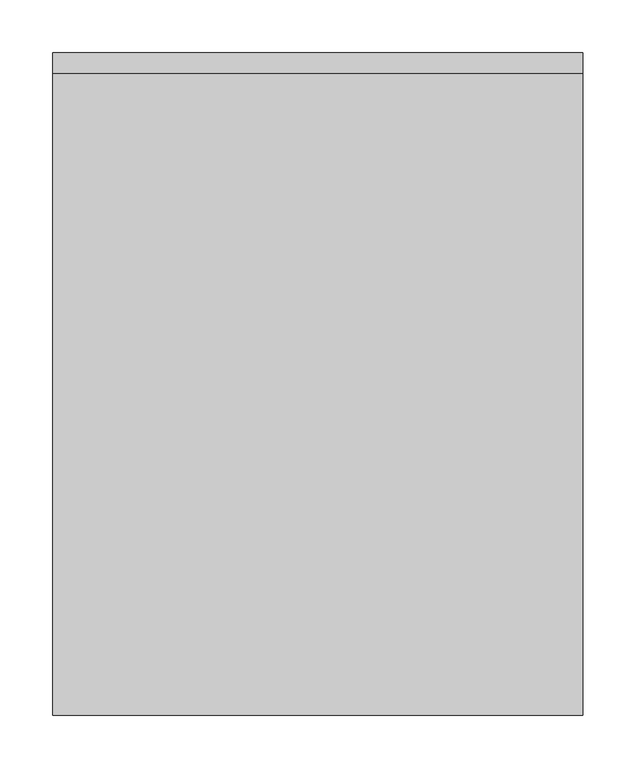
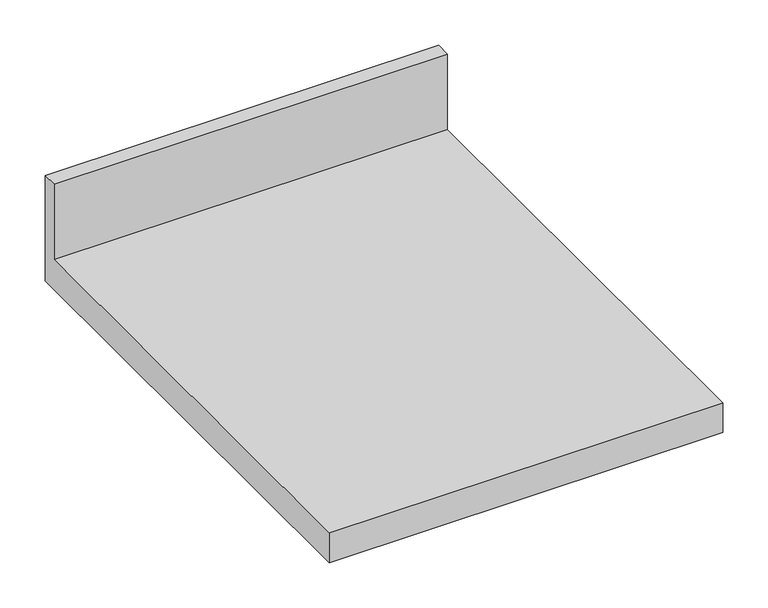
"""IFC4 building model written with IfcOpenShell, lengths in millimetres: furniture geometry."""

from ifc_helpers import new_model, si_unit, frame, origin, place, context, project, spatial, polyline, outline, extrude, source, transform, mapped, element, save


def furniture_dd5b232a(model_context):
    return source(origin(), model_context, "Body", "SweptSolid", [
        extrude(outline(polyline([(0.0, 1001.6), (0.0, 860.0), (-625.0, 860.0), (-625.0, 900.0), (-19.05, 900.0), (-19.05, 1001.6), (0.0, 1001.6)])), frame((-1200.4622951, 0.0, 0.0), z_axis=(1.0, 0.0, 0.0), x_axis=(0.0, 1.0, 0.0)), (0.0, 0.0, 1.0), 500.0),
    ])


if __name__ == "__main__":
    model = new_model("IFC4")
    model_context = context("Model", 3, world=origin())
    ifc_project = project(units=[si_unit("LENGTHUNIT", "METRE", prefix="MILLI")], contexts=[model_context])
    site = spatial("IfcSite", under=ifc_project)
    building = spatial("IfcBuilding", under=site)
    placement = place(None, origin())
    furniture_shape = furniture_dd5b232a(model_context)
    element("IfcFurniture", 1, at=placement, inside=building, context=model_context, shape_type="MappedRepresentation", body=[
        mapped(furniture_shape, transform((0.0, 0.0, 0.0), x_axis=(1.0, 0.0, 0.0), y_axis=(0.0, 1.0, 0.0), z_axis=(0.0, 0.0, 1.0))),
    ])
    save(model, "model.ifc")
